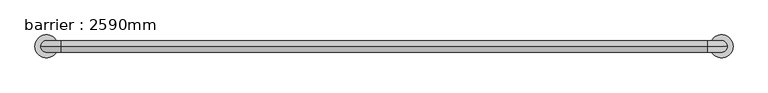
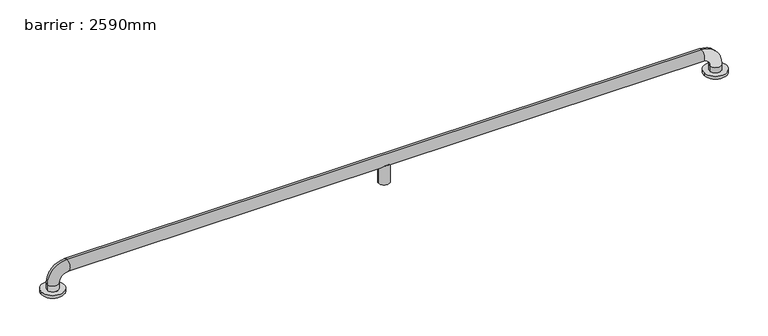
"""IFC4 building model written with IfcOpenShell, lengths in millimetres: geographic element geometry, barrier : 2590mm."""

from ifc_helpers import new_model, si_unit, point, frame, origin, place, context, project, spatial, circle_curve, ellipse_curve, trimmed, source, transform, mapped, element, save
from ifc_brep_helpers import plane_surface, cylinder_surface, revolved_surface, advanced_brep


def barrier_2590mm_06c94661(model_context):
    return source(origin(), model_context, "Body", "AdvancedBrep", [
        advanced_brep(
        [(-457.1304543, 0.0, 0.0), (-377.1304543, 0.0, 0.0), (1893.111472, 0.0, 0.0), (1973.111472, 0.0, 0.0), (-397.1304543, 0.0, 30.0), (-397.1304543, 0.0, 10.0), (-437.1304543, 0.0, 10.0), (-437.1304543, 0.0, 30.0), (-367.1304543, 0.0, 100.0), (-367.1304543, 0.0, 60.0), (1883.111472, 0.0, 100.0), (1883.111472, 0.0, 60.0), (777.9905089, 0.0, 60.0), (766.6842201, 18.0116458, 71.3062888), (749.2967977, 18.0116458, 71.3062888), (737.9905089, 0.0, 60.0), (749.2967977, -18.0116458, 71.3062888), (766.6842201, -18.0116458, 71.3062888), (1953.111472, 0.0, 30.0), (1913.111472, 0.0, 30.0), (1953.111472, 0.0, 10.0), (1913.111472, 0.0, 10.0), (737.9905089, 0.0, 0.0), (777.9905089, 0.0, 0.0), (-457.1304543, 0.0, 10.0), (-377.1304543, 0.0, 10.0), (1893.111472, 0.0, 10.0), (1973.111472, 0.0, 10.0)],
        [
            (0, 1, circle_curve(frame((-417.1304543, 0.0, 0.0), z_axis=(0.0, 0.0, -1.0), x_axis=(1.0, 0.0, 0.0)), 40.0)),
            (1, 0, circle_curve(frame((-417.1304543, 0.0, 0.0), z_axis=(0.0, 0.0, -1.0), x_axis=(1.0, 0.0, 0.0)), 40.0)),
            (2, 3, circle_curve(frame((1933.111472, 0.0, 0.0), z_axis=(0.0, 0.0, -1.0), x_axis=(1.0, 0.0, 0.0)), 40.0)),
            (3, 2, circle_curve(frame((1933.111472, 0.0, 0.0), z_axis=(0.0, 0.0, -1.0), x_axis=(1.0, 0.0, 0.0)), 40.0)),
            (4, 5),
            (5, 6, circle_curve(frame((-417.1304543, 0.0, 10.0), z_axis=(0.0, 0.0, 1.0), x_axis=(-1.0, 0.0, 0.0)), 20.0)),
            (6, 7),
            (7, 4, circle_curve(frame((-417.1304543, 0.0, 30.0), z_axis=(0.0, 0.0, -1.0), x_axis=(-1.0, 0.0, 0.0)), 20.0)),
            (6, 5, circle_curve(frame((-417.1304543, 0.0, 10.0), z_axis=(0.0, 0.0, 1.0), x_axis=(-1.0, 0.0, 0.0)), 20.0)),
            (4, 7, circle_curve(frame((-417.1304543, 0.0, 30.0), z_axis=(0.0, 0.0, -1.0), x_axis=(-1.0, 0.0, 0.0)), 20.0)),
            (7, 8, circle_curve(frame((-367.1304543, 0.0, 30.0), z_axis=(0.0, 1.0, 0.0), x_axis=(-1.0, 0.0, 0.0)), 70.0)),
            (8, 9, circle_curve(frame((-367.1304543, 0.0, 80.0), z_axis=(-1.0, 0.0, 0.0), x_axis=(0.0, 0.0, 1.0)), 20.0)),
            (9, 4, circle_curve(frame((-367.1304543, 0.0, 30.0), z_axis=(0.0, -1.0, 0.0), x_axis=(-1.0, 0.0, 0.0)), 30.0)),
            (9, 8, circle_curve(frame((-367.1304543, 0.0, 80.0), z_axis=(-1.0, 0.0, 0.0), x_axis=(0.0, 0.0, 1.0)), 20.0)),
            (8, 10),
            (10, 11, circle_curve(frame((1883.111472, 0.0, 80.0), z_axis=(-1.0, 0.0, 0.0), x_axis=(0.0, 0.0, 1.0)), 20.0)),
            (11, 12),
            (12, 13, ellipse_curve(frame((757.9905089, 0.0, 80.0), z_axis=(0.7071067811865475, 0.0, 0.7071067811865475), x_axis=(-0.7071067811865476, 0.0, 0.7071067811865474)), 28.2842712, 20.0)),
            (13, 14),
            (14, 15, ellipse_curve(frame((757.9905089, 0.0, 80.0), z_axis=(-0.7071067811865475, 0.0, 0.7071067811865475), x_axis=(-0.7071067811865476, 0.0, -0.7071067811865474)), 28.2842712, 20.0)),
            (15, 9),
            (15, 16, ellipse_curve(frame((757.9905089, 0.0, 80.0), z_axis=(-0.7071067811865475, 0.0, 0.7071067811865475), x_axis=(-0.7071067811865476, 0.0, -0.7071067811865474)), 28.2842712, 20.0)),
            (16, 17),
            (17, 12, ellipse_curve(frame((757.9905089, 0.0, 80.0), z_axis=(0.7071067811865475, 0.0, 0.7071067811865475), x_axis=(-0.7071067811865476, 0.0, 0.7071067811865474)), 28.2842712, 20.0)),
            (11, 10, circle_curve(frame((1883.111472, 0.0, 80.0), z_axis=(-1.0, 0.0, 0.0), x_axis=(0.0, 0.0, 1.0)), 20.0)),
            (10, 18, circle_curve(frame((1883.111472, 0.0, 30.0), z_axis=(0.0, 1.0, 0.0), x_axis=(0.0, 0.0, 1.0)), 70.0)),
            (18, 19, circle_curve(frame((1933.111472, 0.0, 30.0), z_axis=(0.0, 0.0, 1.0), x_axis=(1.0, 0.0, 0.0)), 20.0)),
            (19, 11, circle_curve(frame((1883.111472, 0.0, 30.0), z_axis=(0.0, -1.0, 0.0), x_axis=(0.0, 0.0, 1.0)), 30.0)),
            (19, 18, circle_curve(frame((1933.111472, 0.0, 30.0), z_axis=(0.0, 0.0, 1.0), x_axis=(1.0, 0.0, 0.0)), 20.0)),
            (18, 20),
            (20, 21, circle_curve(frame((1933.111472, 0.0, 10.0), z_axis=(0.0, 0.0, 1.0), x_axis=(1.0, 0.0, 0.0)), 20.0)),
            (21, 19),
            (21, 20, circle_curve(frame((1933.111472, 0.0, 10.0), z_axis=(0.0, 0.0, 1.0), x_axis=(1.0, 0.0, 0.0)), 20.0)),
            (22, 23, circle_curve(frame((757.9905089, 0.0, 0.0), z_axis=(0.0, 0.0, -1.0), x_axis=(1.0, 0.0, 0.0)), 20.0)),
            (23, 22, circle_curve(frame((757.9905089, 0.0, 0.0), z_axis=(0.0, 0.0, -1.0), x_axis=(1.0, 0.0, 0.0)), 20.0)),
            (22, 15),
            (14, 13, circle_curve(frame((757.9905089, 0.0, 71.3062888), z_axis=(0.0, 0.0, -1.0), x_axis=(1.0, 0.0, 0.0)), 20.0)),
            (12, 23),
            (17, 16, circle_curve(frame((757.9905089, 0.0, 71.3062888), z_axis=(0.0, 0.0, -1.0), x_axis=(1.0, 0.0, 0.0)), 20.0)),
            (24, 25, circle_curve(frame((-417.1304543, 0.0, 10.0), z_axis=(0.0, 0.0, 1.0), x_axis=(1.0, 0.0, 0.0)), 40.0)),
            (25, 24, circle_curve(frame((-417.1304543, 0.0, 10.0), z_axis=(0.0, 0.0, 1.0), x_axis=(1.0, 0.0, 0.0)), 40.0)),
            (26, 27, circle_curve(frame((1933.111472, 0.0, 10.0), z_axis=(0.0, 0.0, 1.0), x_axis=(1.0, 0.0, 0.0)), 40.0)),
            (27, 26, circle_curve(frame((1933.111472, 0.0, 10.0), z_axis=(0.0, 0.0, 1.0), x_axis=(1.0, 0.0, 0.0)), 40.0)),
            (25, 1),
            (0, 24),
            (27, 3),
            (2, 26),
        ],
        [
            plane_surface(frame((-417.1304543, 20.0, 0.0), z_axis=(0.0, 0.0, -1.0), x_axis=(1.0, 0.0, 0.0))),
            cylinder_surface(frame((-417.1304543, 0.0, 0.0), z_axis=(0.0, 0.0, -1.0), x_axis=(-1.0, 0.0, 0.0)), 20.0),
            revolved_surface(trimmed(ellipse_curve(frame((-417.1304543, 0.0, 30.0), z_axis=(0.0, 0.0, 1.0), x_axis=(-1.0, 0.0, 0.0)), 20.0, 20.0), [point((-397.1304543, 0.0, 30.0))], [point((-437.1304543, 0.0, 30.0))], True, "CARTESIAN"), (-367.1304543, 0.0, 30.0), (0.0, -1.0, 0.0)),
            revolved_surface(trimmed(ellipse_curve(frame((-417.1304543, 0.0, 30.0), z_axis=(0.0, 0.0, 1.0), x_axis=(-1.0, 0.0, 0.0)), 20.0, 20.0), [point((-437.1304543, 0.0, 30.0))], [point((-397.1304543, 0.0, 30.0))], True, "CARTESIAN"), (-367.1304543, 0.0, 30.0), (0.0, -1.0, 0.0)),
            cylinder_surface(frame((-367.1304543, 0.0, 80.0), z_axis=(-1.0, 0.0, 0.0), x_axis=(0.0, 0.0, 1.0)), 20.0),
            revolved_surface(trimmed(ellipse_curve(frame((1883.111472, 0.0, 80.0), z_axis=(1.0, 0.0, 0.0), x_axis=(0.0, 0.0, 1.0)), 20.0, 20.0), [point((1883.111472, 0.0, 60.0))], [point((1883.111472, 0.0, 100.0))], True, "CARTESIAN"), (1883.111472, 0.0, 30.0), (0.0, -1.0, 0.0)),
            revolved_surface(trimmed(ellipse_curve(frame((1883.111472, 0.0, 80.0), z_axis=(1.0, 0.0, 0.0), x_axis=(0.0, 0.0, 1.0)), 20.0, 20.0), [point((1883.111472, 0.0, 100.0))], [point((1883.111472, 0.0, 60.0))], True, "CARTESIAN"), (1883.111472, 0.0, 30.0), (0.0, -1.0, 0.0)),
            cylinder_surface(frame((1933.111472, 0.0, 30.0), z_axis=(0.0, 0.0, 1.0), x_axis=(1.0, 0.0, 0.0)), 20.0),
            plane_surface(frame((777.9905089, 0.0, 0.0), z_axis=(0.0, 0.0, -1.0), x_axis=(0.0, 1.0, 0.0))),
            cylinder_surface(frame((757.9905089, 0.0, 0.0), z_axis=(0.0, 0.0, 1.0), x_axis=(1.0, 0.0, 0.0)), 20.0),
            plane_surface(frame((-377.1304543, 0.0, 10.0), z_axis=(0.0, 0.0, 1.0), x_axis=(0.0, -1.0, 0.0))),
            cylinder_surface(frame((-417.1304543, 0.0, 0.0), z_axis=(0.0, 0.0, 1.0), x_axis=(1.0, 0.0, 0.0)), 40.0),
            cylinder_surface(frame((1933.111472, 0.0, 0.0), z_axis=(0.0, 0.0, 1.0), x_axis=(1.0, 0.0, 0.0)), 40.0),
            plane_surface(frame((777.9905089, 0.0, 71.3062888), z_axis=(0.0, 0.0, 1.0), x_axis=(0.0, -1.0, 0.0))),
        ],
        [
            (0, [[1, 2]]),
            (0, [[3, 4]]),
            (1, [[5, 6, 7, 8]]),
            (1, [[-7, 9, -5, 10]]),
            (2, [[11, 12, 13, -8]]),
            (3, [[-13, 14, -11, -10]]),
            (4, [[15, 16, 17, 18, 19, 20, 21, -12]]),
            (4, [[-21, 22, 23, 24, -17, 25, -15, -14]]),
            (5, [[26, 27, 28, -16]]),
            (6, [[-28, 29, -26, -25]]),
            (7, [[30, 31, 32, -27]]),
            (7, [[-32, 33, -30, -29]]),
            (8, [[34, 35]]),
            (9, [[36, -20, 37, -18, 38, -34]]),
            (9, [[-38, -24, 39, -22, -36, -35]]),
            (10, [[40, 41], [-9, -6]]),
            (10, [[42, 43], [-33, -31]]),
            (11, [[44, -1, 45, -41]]),
            (11, [[-45, -2, -44, -40]]),
            (12, [[46, -3, 47, -43]]),
            (12, [[-47, -4, -46, -42]]),
            (13, [[-19, -37]]),
            (13, [[-23, -39]]),
        ],
    ),
    ])


if __name__ == "__main__":
    model = new_model("IFC4")
    model_context = context("Model", 3, world=origin())
    ifc_project = project(units=[si_unit("LENGTHUNIT", "METRE", prefix="MILLI")], contexts=[model_context])
    site = spatial("IfcSite", under=ifc_project)
    building = spatial("IfcBuilding", under=site)
    placement = place(None, origin())
    barrier_2590mm_shape = barrier_2590mm_06c94661(model_context)
    element("IfcGeographicElement", 1, ObjectType="barrier : 2590mm", at=placement, inside=building, context=model_context, shape_type="MappedRepresentation", body=[
        mapped(barrier_2590mm_shape, transform((0.0, 0.0, 0.0), x_axis=(1.0, 0.0, 0.0), y_axis=(0.0, 1.0, 0.0), z_axis=(0.0, 0.0, 1.0))),
    ])
    save(model, "model.ifc")
